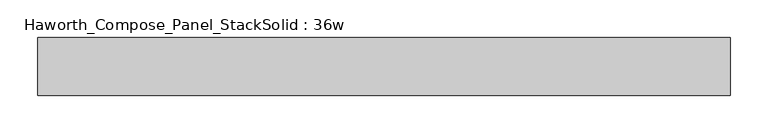
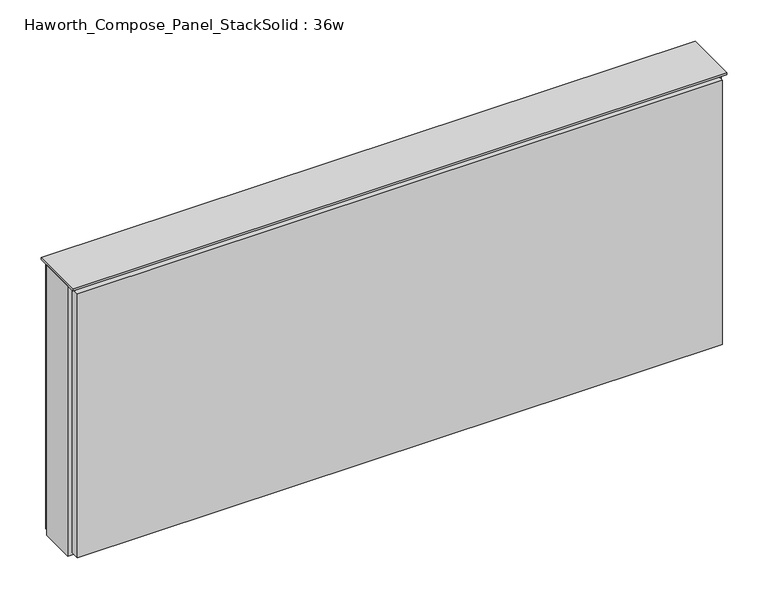
"""IFC4 building model written with IfcOpenShell, lengths in millimetres: furniture geometry, Haworth_Compose_Panel_StackSolid : 36w."""

from ifc_helpers import new_model, si_unit, frame, origin, place, context, project, spatial, polyline, outline, extrude, source, transform, mapped, element, save


def haworth_compose_panel_stacksolid_36w_15c63c27(model_context):
    return source(origin(), model_context, "Body", "SweptSolid", [
        extrude(outline(polyline([(453.2902902, 38.1), (453.2902902, 25.4), (-448.4097098, 25.4), (-448.4097098, 38.1), (453.2902902, 38.1)])), frame((0.0, 0.0, 1066.8), z_axis=(0.0, 0.0, 1.0), x_axis=(1.0, 0.0, 0.0)), (0.0, 0.0, 1.0), 390.525),
        extrude(outline(polyline([(453.2902902, -38.1), (-448.4097098, -38.1), (-448.4097098, -25.4), (453.2902902, -25.4), (453.2902902, -38.1)])), frame((0.0, 0.0, 1069.975), z_axis=(0.0, 0.0, 1.0), x_axis=(1.0, 0.0, 0.0)), (0.0, 0.0, 1.0), 390.525),
        extrude(outline(polyline([(459.6402902, 25.4), (459.6402902, -25.4), (-454.7597098, -25.4), (-454.7597098, 25.4), (459.6402902, 25.4)])), frame((0.0, 0.0, 1066.8), z_axis=(0.0, 0.0, 1.0), x_axis=(1.0, 0.0, 0.0)), (0.0, 0.0, 1.0), 400.05),
        extrude(outline(polyline([(-454.7597098, -38.1), (-454.7597098, 38.1), (459.6402902, 38.1), (459.6402902, -38.1), (-454.7597098, -38.1)])), frame((0.0, 0.0, 1466.85), z_axis=(0.0, 0.0, 1.0), x_axis=(1.0, 0.0, 0.0)), (0.0, 0.0, 1.0), 3.175),
    ])


if __name__ == "__main__":
    model = new_model("IFC4")
    model_context = context("Model", 3, world=origin())
    ifc_project = project(units=[si_unit("LENGTHUNIT", "METRE", prefix="MILLI")], contexts=[model_context])
    site = spatial("IfcSite", under=ifc_project)
    building = spatial("IfcBuilding", under=site)
    placement = place(None, origin())
    haworth_compose_panel_stacksolid_36w_shape = haworth_compose_panel_stacksolid_36w_15c63c27(model_context)
    element("IfcFurniture", 1, ObjectType="Haworth_Compose_Panel_StackSolid : 36w", at=placement, inside=building, context=model_context, shape_type="MappedRepresentation", body=[
        mapped(haworth_compose_panel_stacksolid_36w_shape, transform((0.0, 0.0, 0.0), x_axis=(1.0, 0.0, 0.0), y_axis=(0.0, 1.0, 0.0), z_axis=(0.0, 0.0, 1.0))),
    ])
    save(model, "model.ifc")
